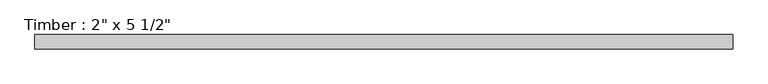
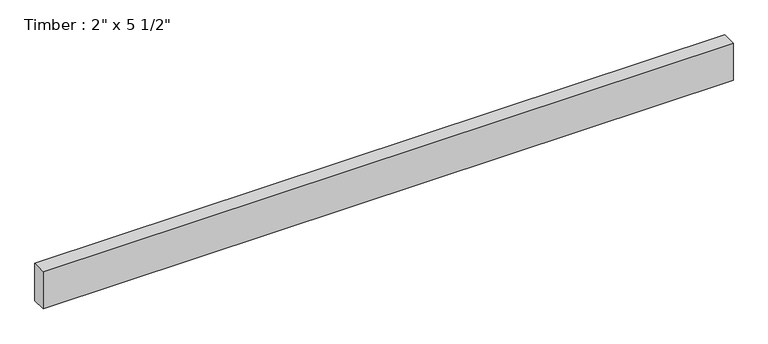
"""IFC4 building model written with IfcOpenShell, lengths in millimetres: beam geometry."""

from ifc_helpers import new_model, si_unit, frame, origin, place, context, project, spatial, polyline, outline, extrude, source, transform, mapped, element, save


def beam_fe1299e5(model_context):
    return source(origin(), model_context, "Body", "SweptSolid", [
        extrude(outline(polyline([(1220.2477451, 25.4), (1220.2477451, -25.4), (-1220.2477451, -25.4), (-1220.2477451, 25.4), (1220.2477451, 25.4)])), frame((0.0, 0.0, -69.85), z_axis=(0.0, 0.0, 1.0), x_axis=(1.0, 0.0, 0.0)), (0.0, 0.0, 1.0), 139.7),
    ])


if __name__ == "__main__":
    model = new_model("IFC4")
    model_context = context("Model", 3, world=origin())
    ifc_project = project(units=[si_unit("LENGTHUNIT", "METRE", prefix="MILLI")], contexts=[model_context])
    site = spatial("IfcSite", under=ifc_project)
    building = spatial("IfcBuilding", under=site)
    placement = place(None, origin())
    beam_shape = beam_fe1299e5(model_context)
    element("IfcBeam", 1, ObjectType="Timber : 2\" x 5 1/2\"", at=placement, inside=building, context=model_context, shape_type="MappedRepresentation", body=[
        mapped(beam_shape, transform((0.0, 0.0, 0.0), x_axis=(1.0, 0.0, 0.0), y_axis=(0.0, 1.0, 0.0), z_axis=(0.0, 0.0, 1.0))),
    ])
    save(model, "model.ifc")
